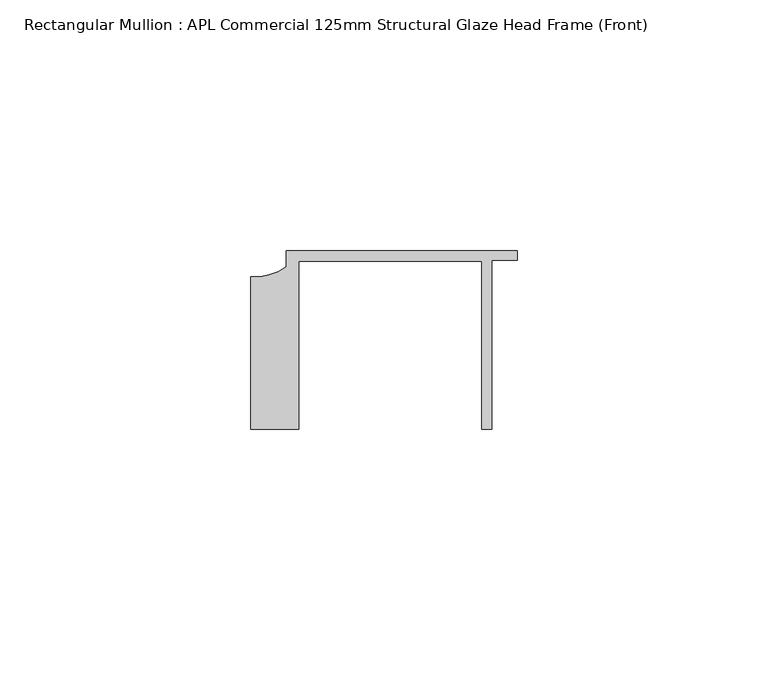
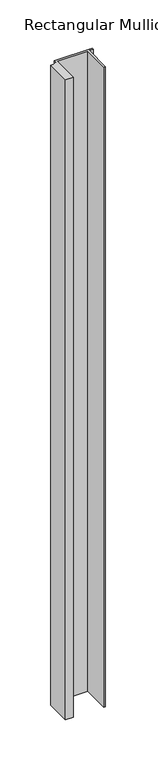
"""IFC4 building model written with IfcOpenShell, lengths in millimetres: member geometry, Rectangular Mullion : APL Commercial 125mm Structural Glaze Head Frame (Front)."""

from ifc_helpers import new_model, si_unit, point, frame, frame_2d, origin, place, context, project, spatial, polyline, circle_curve, trimmed, segment, composite_curve, outline, extrude, source, transform, mapped, element, save


def rectangular_mullion_apl_commercial_125mm_structural_glaze_9b24f420(model_context):
    return source(origin(), model_context, "Body", "SweptSolid", [
        extrude(outline(composite_curve([segment(polyline([(-52.9999542, -15.0), (-52.9999542, 15.3798304)]), True, "CONTINUOUS"), segment(trimmed(circle_curve(frame_2d((-52.109817, 25.7982641)), 10.4563907), [point((-52.9999542, 15.3798304))], [point((-45.9999994, 17.3126154))], True, "CARTESIAN"), True, "CONTINUOUS"), segment(polyline([(-45.9999994, 17.3126154), (-45.9999994, 20.5002486), (0.0, 20.5002486), (0.0, 18.7002486), (-5.0, 18.7002486), (-5.0, -15.0), (-7.0, -15.0), (-7.0, 18.5002486), (-43.5000151, 18.5002486), (-43.5000151, -15.0), (-52.9999542, -15.0)]), True, "CONTINUOUS")], self_intersect=False)), frame((0.0, 0.0, -811.086125), z_axis=(0.0, 0.0, 1.0), x_axis=(1.0, 0.0, 0.0)), (0.0, 0.0, 1.0), 811.086125),
    ])


if __name__ == "__main__":
    model = new_model("IFC4")
    model_context = context("Model", 3, world=origin())
    ifc_project = project(units=[si_unit("LENGTHUNIT", "METRE", prefix="MILLI")], contexts=[model_context])
    site = spatial("IfcSite", under=ifc_project)
    building = spatial("IfcBuilding", under=site)
    placement = place(None, origin())
    rectangular_mullion_apl_commercial_125mm_structural_glaze_shape = rectangular_mullion_apl_commercial_125mm_structural_glaze_9b24f420(model_context)
    element("IfcMember", 1, ObjectType="Rectangular Mullion : APL Commercial 125mm Structural Glaze Head Frame (Front)", at=placement, inside=building, context=model_context, shape_type="MappedRepresentation", body=[
        mapped(rectangular_mullion_apl_commercial_125mm_structural_glaze_shape, transform((0.0, 0.0, 0.0), x_axis=(1.0, 0.0, 0.0), y_axis=(0.0, 1.0, 0.0), z_axis=(0.0, 0.0, 1.0))),
    ])
    save(model, "model.ifc")
